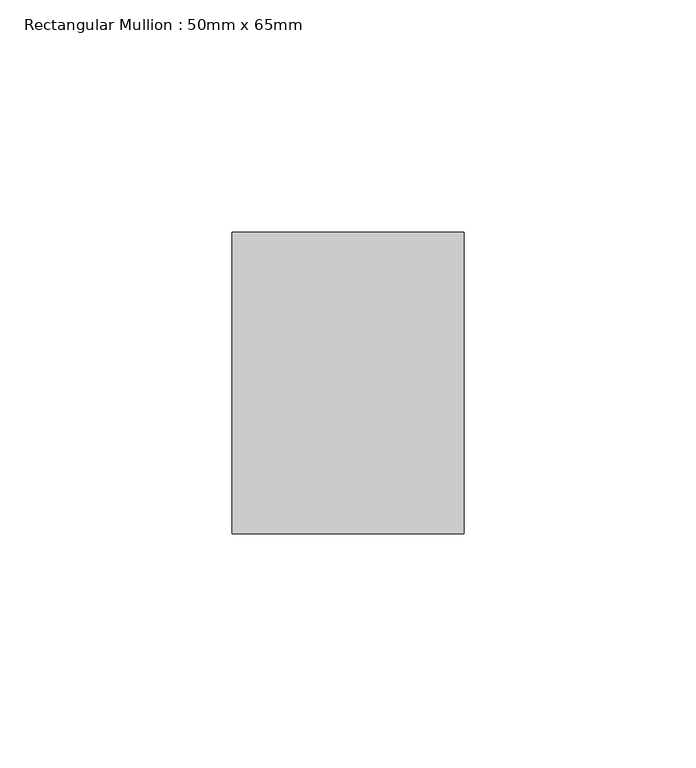
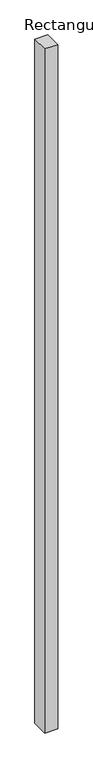
"""IFC4 building model written with IfcOpenShell, lengths in millimetres: member geometry, Rectangular Mullion : 50mm x 65mm."""

from ifc_helpers import new_model, si_unit, frame, origin, place, context, project, spatial, polyline, outline, extrude, source, transform, mapped, element, save


def rectangular_mullion_50mm_x_65mm_3c5970a9(model_context):
    return source(origin(), model_context, "Body", "SweptSolid", [
        extrude(outline(polyline([(25.0, 32.5), (25.0, -32.5), (-25.0, -32.5), (-25.0, 32.5), (25.0, 32.5)])), frame((0.0, 0.0, -2773.891488), z_axis=(0.0, 0.0, 1.0), x_axis=(1.0, 0.0, 0.0)), (0.0, 0.0, 1.0), 2773.891488),
    ])


if __name__ == "__main__":
    model = new_model("IFC4")
    model_context = context("Model", 3, world=origin())
    ifc_project = project(units=[si_unit("LENGTHUNIT", "METRE", prefix="MILLI")], contexts=[model_context])
    site = spatial("IfcSite", under=ifc_project)
    building = spatial("IfcBuilding", under=site)
    placement = place(None, origin())
    rectangular_mullion_50mm_x_65mm_shape = rectangular_mullion_50mm_x_65mm_3c5970a9(model_context)
    element("IfcMember", 1, ObjectType="Rectangular Mullion : 50mm x 65mm", at=placement, inside=building, context=model_context, shape_type="MappedRepresentation", body=[
        mapped(rectangular_mullion_50mm_x_65mm_shape, transform((0.0, 0.0, 0.0), x_axis=(1.0, 0.0, 0.0), y_axis=(0.0, 1.0, 0.0), z_axis=(0.0, 0.0, 1.0))),
    ])
    save(model, "model.ifc")
